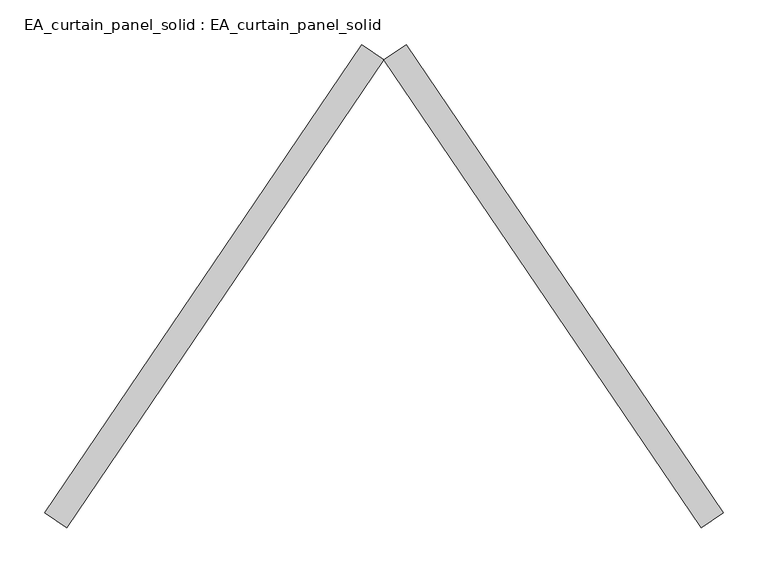
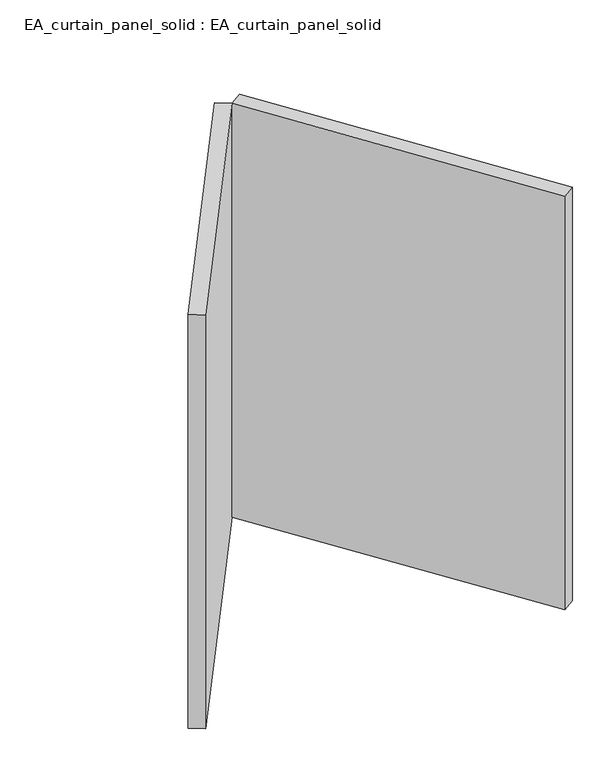
"""IFC4 building model written with IfcOpenShell, lengths in millimetres: plate geometry, EA_curtain_panel_solid : EA_curtain_panel_solid."""

from ifc_helpers import new_model, si_unit, origin, origin_with_axes, place, context, project, spatial, polyline, outline, extrude, source, transform, mapped, element, save


def ea_curtain_panel_solid_ea_curtain_panel_solid_16597e20(model_context):
    return source(origin(), model_context, "Body", "SweptSolid", [
        extrude(outline(polyline([(-229.1383536, 525.6620437), (126.9876027, 0.0), (102.1507509, -16.8264909), (-253.9752054, 508.8355528), (-229.1383536, 525.6620437)])), origin_with_axes(), (0.0, 0.0, 1.0), 866.6666667),
        extrude(outline(polyline([(-278.8120571, 525.6620437), (-253.9752054, 508.8355528), (-610.1011617, -16.8264909), (-634.9380134, 0.0), (-278.8120571, 525.6620437)])), origin_with_axes(), (0.0, 0.0, 1.0), 866.6666667),
    ])


if __name__ == "__main__":
    model = new_model("IFC4")
    model_context = context("Model", 3, world=origin())
    ifc_project = project(units=[si_unit("LENGTHUNIT", "METRE", prefix="MILLI")], contexts=[model_context])
    site = spatial("IfcSite", under=ifc_project)
    building = spatial("IfcBuilding", under=site)
    placement = place(None, origin())
    ea_curtain_panel_solid_ea_curtain_panel_solid_shape = ea_curtain_panel_solid_ea_curtain_panel_solid_16597e20(model_context)
    element("IfcPlate", 1, ObjectType="EA_curtain_panel_solid : EA_curtain_panel_solid", at=placement, inside=building, context=model_context, shape_type="MappedRepresentation", body=[
        mapped(ea_curtain_panel_solid_ea_curtain_panel_solid_shape, transform((0.0, 0.0, 0.0), x_axis=(1.0, 0.0, 0.0), y_axis=(0.0, 1.0, 0.0), z_axis=(0.0, 0.0, 1.0))),
    ])
    save(model, "model.ifc")
